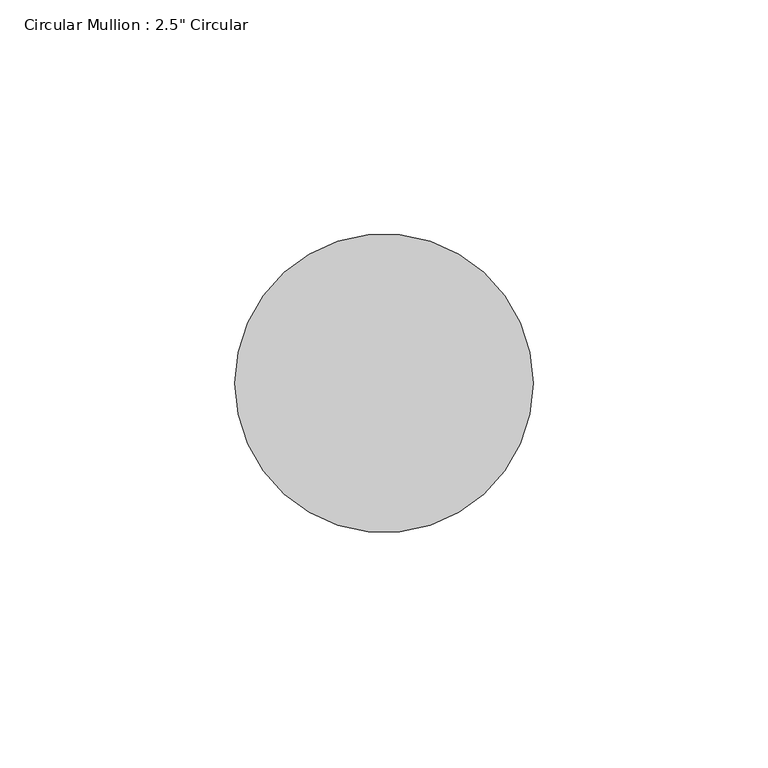
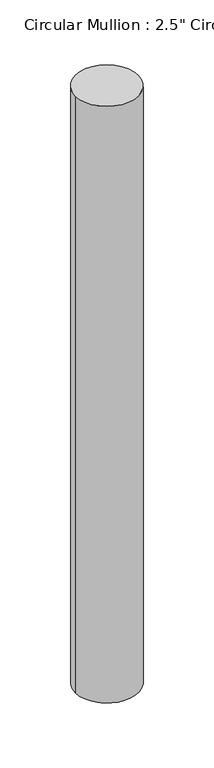
"""IFC4 building model written with IfcOpenShell, lengths in millimetres: member geometry."""

from ifc_helpers import new_model, si_unit, point, frame, origin, origin_2d, place, context, project, spatial, circle_curve, trimmed, segment, composite_curve, outline, extrude, source, transform, mapped, element, save


def member_e2b81067(model_context):
    return source(origin(), model_context, "Body", "SweptSolid", [
        extrude(outline(composite_curve([segment(trimmed(circle_curve(origin_2d(), 31.75), [point((31.75, 0.0))], [point((-31.75, 0.0))], False, "CARTESIAN"), True, "CONTINUOUS"), segment(trimmed(circle_curve(origin_2d(), 31.75), [point((-31.75, 0.0))], [point((31.75, 0.0))], False, "CARTESIAN"), True, "CONTINUOUS")], self_intersect=False)), frame((0.0, 0.0, -636.5), z_axis=(0.0, 0.0, 1.0), x_axis=(1.0, 0.0, 0.0)), (0.0, 0.0, 1.0), 636.5),
    ])


if __name__ == "__main__":
    model = new_model("IFC4")
    model_context = context("Model", 3, world=origin())
    ifc_project = project(units=[si_unit("LENGTHUNIT", "METRE", prefix="MILLI")], contexts=[model_context])
    site = spatial("IfcSite", under=ifc_project)
    building = spatial("IfcBuilding", under=site)
    placement = place(None, origin())
    member_shape = member_e2b81067(model_context)
    element("IfcMember", 1, ObjectType="Circular Mullion : 2.5\" Circular", at=placement, inside=building, context=model_context, shape_type="MappedRepresentation", body=[
        mapped(member_shape, transform((0.0, 0.0, 0.0), x_axis=(1.0, 0.0, 0.0), y_axis=(0.0, 1.0, 0.0), z_axis=(0.0, 0.0, 1.0))),
    ])
    save(model, "model.ifc")
